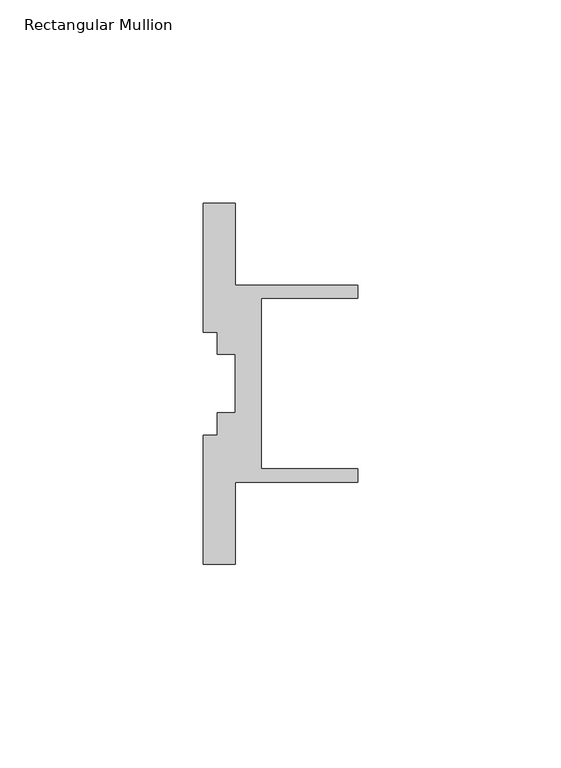
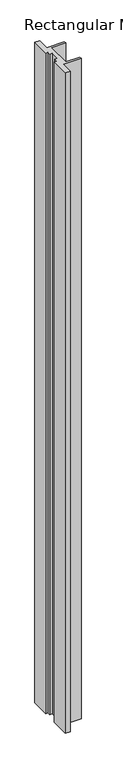
"""IFC4 building model written with IfcOpenShell, lengths in millimetres: member geometry, Rectangular Mullion."""

from ifc_helpers import new_model, si_unit, frame, origin, place, context, project, spatial, polyline, outline, extrude, source, transform, mapped, element, save


def rectangular_mullion_d0f779b8(model_context):
    return source(origin(), model_context, "Body", "SweptSolid", [
        extrude(outline(polyline([(7.9375, 24.2500008), (38.1, 24.2500008), (38.1, 20.9500007), (14.2875, 20.9500007), (14.2875, -20.9500007), (38.1, -20.9500007), (38.1, -24.2500008), (7.9375, -24.2500008), (7.9375, -44.45), (0.0, -44.45), (0.0, -12.7000004), (3.5000001, -12.7000004), (3.5000001, -7.2000002), (7.9375, -7.2000002), (7.9375, 7.2000002), (3.5000001, 7.2000002), (3.5000001, 12.7000004), (0.0, 12.7000004), (0.0, 44.45), (7.9375, 44.45), (7.9375, 24.2500008)])), frame((0.0, 0.0, -1177.925), z_axis=(0.0, 0.0, 1.0), x_axis=(1.0, 0.0, 0.0)), (0.0, 0.0, 1.0), 1177.925),
    ])


if __name__ == "__main__":
    model = new_model("IFC4")
    model_context = context("Model", 3, world=origin())
    ifc_project = project(units=[si_unit("LENGTHUNIT", "METRE", prefix="MILLI")], contexts=[model_context])
    site = spatial("IfcSite", under=ifc_project)
    building = spatial("IfcBuilding", under=site)
    placement = place(None, origin())
    rectangular_mullion_shape = rectangular_mullion_d0f779b8(model_context)
    element("IfcMember", 1, ObjectType="Rectangular Mullion", at=placement, inside=building, context=model_context, shape_type="MappedRepresentation", body=[
        mapped(rectangular_mullion_shape, transform((0.0, 0.0, 0.0), x_axis=(1.0, 0.0, 0.0), y_axis=(0.0, 1.0, 0.0), z_axis=(0.0, 0.0, 1.0))),
    ])
    save(model, "model.ifc")
